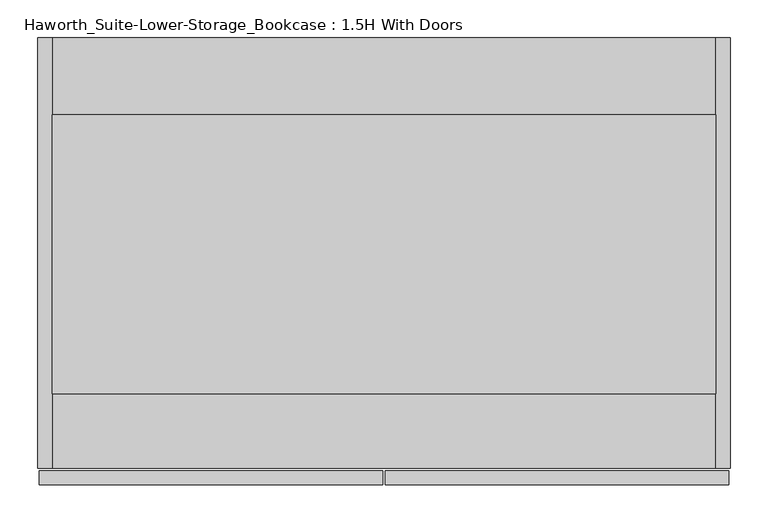
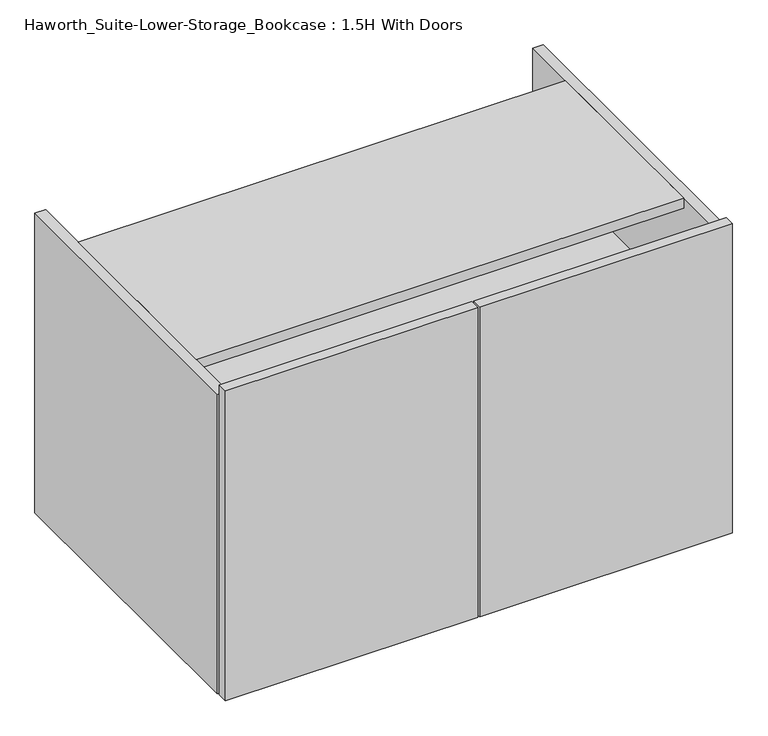
"""IFC4 building model written with IfcOpenShell, lengths in millimetres: furniture geometry, Haworth_Suite-Lower-Storage_Bookcase : 1.5H With Doors."""

from ifc_helpers import new_model, si_unit, frame, origin, origin_with_axes, place, context, project, spatial, polyline, outline, extrude, source, transform, mapped, element, save


def haworth_suite_lower_storage_bookcase_1_5h_with_doors_a2c5d78e(model_context):
    return source(origin(), model_context, "Body", "SweptSolid", [
        extrude(outline(polyline([(-468.3125, -603.25), (-14.2875, -603.25), (-14.2875, -622.3), (-468.3125, -622.3), (-468.3125, -603.25)])), origin_with_axes(), (0.0, 0.0, 1.0), 588.9625),
        extrude(outline(polyline([(442.9125, -603.25), (442.9125, -622.3), (-11.1125, -622.3), (-11.1125, -603.25), (442.9125, -603.25)])), origin_with_axes(), (0.0, 0.0, 1.0), 588.9625),
        extrude(outline(polyline([(425.45, -152.4), (425.45, -600.075), (-450.85, -600.075), (-450.85, -152.4), (425.45, -152.4)])), frame((0.0, 0.0, 352.425), z_axis=(0.0, 0.0, 1.0), x_axis=(1.0, 0.0, 0.0)), (0.0, 0.0, 1.0), 19.05),
        extrude(outline(polyline([(425.45, -133.35), (425.45, -152.4), (-450.85, -152.4), (-450.85, -133.35), (425.45, -133.35)])), frame((0.0, 0.0, 38.1), z_axis=(0.0, 0.0, 1.0), x_axis=(1.0, 0.0, 0.0)), (0.0, 0.0, 1.0), 512.7625),
        extrude(outline(polyline([(425.45, -133.35), (425.45, -501.65), (-450.85, -501.65), (-450.85, -133.35), (425.45, -133.35)])), frame((0.0, 0.0, 550.8625), z_axis=(0.0, 0.0, 1.0), x_axis=(1.0, 0.0, 0.0)), (0.0, 0.0, 1.0), 19.05),
        extrude(outline(polyline([(425.45, -31.75), (425.45, -600.075), (-450.85, -600.075), (-450.85, -31.75), (425.45, -31.75)])), origin_with_axes(), (0.0, 0.0, 1.0), 38.1),
        extrude(outline(polyline([(-450.85, -31.75), (-450.85, -600.075), (-469.9, -600.075), (-469.9, -31.75), (-450.85, -31.75)])), origin_with_axes(), (0.0, 0.0, 1.0), 569.9125),
        extrude(outline(polyline([(444.5, -600.075), (425.45, -600.075), (425.45, -31.75), (444.5, -31.75), (444.5, -600.075)])), origin_with_axes(), (0.0, 0.0, 1.0), 569.9125),
    ])


if __name__ == "__main__":
    model = new_model("IFC4")
    model_context = context("Model", 3, world=origin())
    ifc_project = project(units=[si_unit("LENGTHUNIT", "METRE", prefix="MILLI")], contexts=[model_context])
    site = spatial("IfcSite", under=ifc_project)
    building = spatial("IfcBuilding", under=site)
    placement = place(None, origin())
    haworth_suite_lower_storage_bookcase_1_5h_with_doors_shape = haworth_suite_lower_storage_bookcase_1_5h_with_doors_a2c5d78e(model_context)
    element("IfcFurniture", 1, ObjectType="Haworth_Suite-Lower-Storage_Bookcase : 1.5H With Doors", at=placement, inside=building, context=model_context, shape_type="MappedRepresentation", body=[
        mapped(haworth_suite_lower_storage_bookcase_1_5h_with_doors_shape, transform((0.0, 0.0, 0.0), x_axis=(1.0, 0.0, 0.0), y_axis=(0.0, 1.0, 0.0), z_axis=(0.0, 0.0, 1.0))),
    ])
    save(model, "model.ifc")
